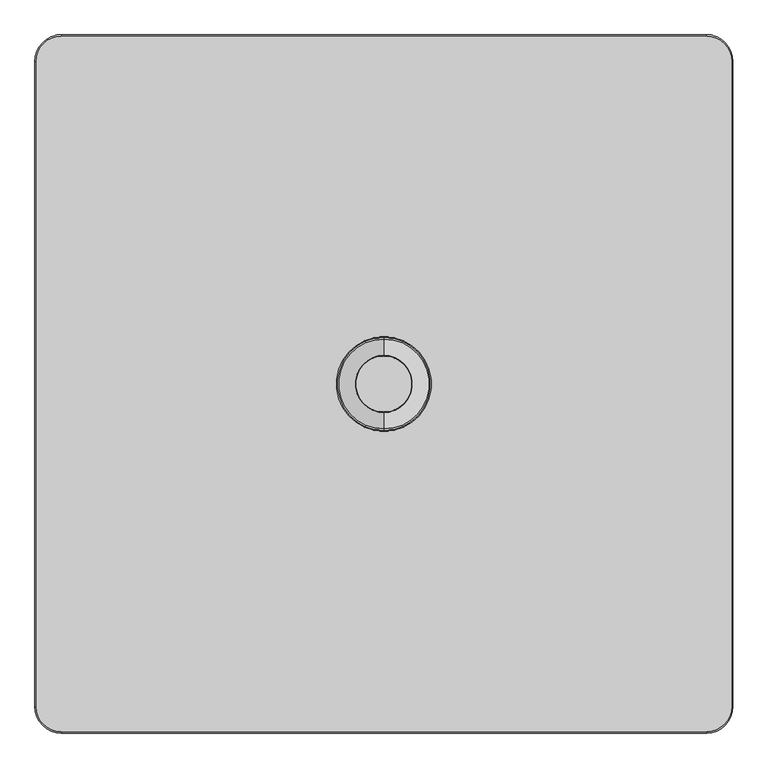
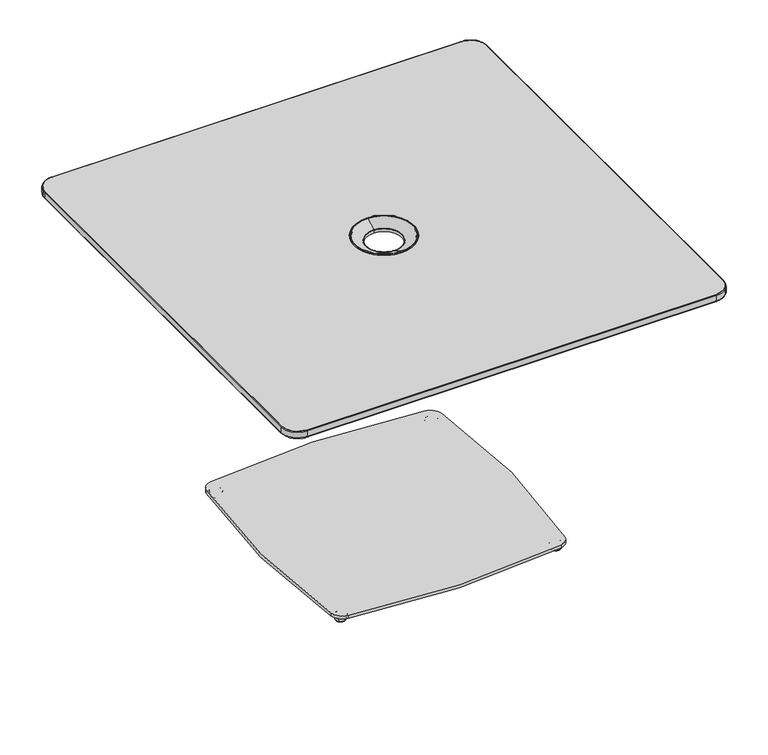
"""IFC4 building model written with IfcOpenShell, lengths in millimetres: furniture geometry."""

from ifc_helpers import new_model, si_unit, point, frame, frame_2d, origin, origin_2d, place, context, project, spatial, polyline, circle_curve, ellipse_curve, trimmed, segment, composite_curve, outline, extrude, source, transform, mapped, element, save
from ifc_brep_helpers import plane_surface, cylinder_surface, revolved_surface, spline_surface, advanced_brep


def furniture_2ca294fe(model_context):
    return source(origin(), model_context, "Body", "SolidModel", [
        advanced_brep(
        [(252.2843813, 244.9990703, 0.0), (266.9696661, 259.6843552, 0.0), (259.6270237, 252.3417127, 0.0), (251.7378791, 244.4525682, 0.5718943), (267.5161683, 260.2308573, 0.5718943), (249.43878, 242.1534691, 11.2068005), (269.8152674, 262.5299564, 11.2068005), (249.8538008, 242.5684899, 11.9999882), (269.4002466, 262.1149356, 11.9999882), (259.6270237, 252.3417127, 11.9999882)],
        [
            (0, 1, circle_curve(frame((259.6270237, 252.3417127, 0.0), z_axis=(0.0, 0.0, -1.0), x_axis=(0.7071067811865602, 0.7071067811865349, 0.0)), 10.3840645)),
            (1, 2),
            (2, 0),
            (1, 0, circle_curve(frame((259.6270237, 252.3417127, 0.0), z_axis=(0.0, 0.0, -1.0), x_axis=(0.7071067811865602, 0.7071067811865349, 0.0)), 10.3840645)),
            (3, 4, circle_curve(frame((259.6270237, 252.3417127, 0.5718943), z_axis=(0.0, 0.0, -1.0), x_axis=(0.7071067811865602, 0.7071067811865349, 0.0)), 11.1569353)),
            (4, 1, circle_curve(frame((266.9696661, 259.6843552, 0.8081846), z_axis=(-0.7071067811865349, 0.7071067811865602, 0.0), x_axis=(0.7071067811865602, 0.7071067811865349, 0.0)), 0.8081846)),
            (0, 3, circle_curve(frame((252.2843813, 244.9990703, 0.8081846), z_axis=(-0.7071067811865326, 0.7071067811865626, 0.0), x_axis=(-0.7071067811865626, -0.7071067811865326, 0.0)), 0.8081846)),
            (4, 3, circle_curve(frame((259.6270237, 252.3417127, 0.5718943), z_axis=(0.0, 0.0, -1.0), x_axis=(0.7071067811865602, 0.7071067811865349, 0.0)), 11.1569353)),
            (5, 6, circle_curve(frame((259.6270237, 252.3417127, 11.2068005), z_axis=(0.0, 0.0, -1.0), x_axis=(0.7071067811865602, 0.7071067811865349, 0.0)), 14.4083524)),
            (6, 4),
            (3, 5),
            (6, 5, circle_curve(frame((259.6270237, 252.3417127, 11.2068005), z_axis=(0.0, 0.0, -1.0), x_axis=(0.7071067811865602, 0.7071067811865349, 0.0)), 14.4083524)),
            (7, 8, circle_curve(frame((259.6270237, 252.3417127, 11.9999882), z_axis=(0.0, 0.0, -1.0), x_axis=(0.7071067811865602, 0.7071067811865349, 0.0)), 13.8214243)),
            (8, 6, circle_curve(frame((269.4002466, 262.1149356, 11.3862424), z_axis=(-0.7071067811865349, 0.7071067811865602, 0.0), x_axis=(0.7071067811865602, 0.7071067811865349, 0.0)), 0.6137458)),
            (5, 7, circle_curve(frame((249.8538008, 242.5684899, 11.3862424), z_axis=(-0.7071067811865326, 0.7071067811865626, 0.0), x_axis=(-0.7071067811865626, -0.7071067811865326, 0.0)), 0.6137458)),
            (8, 7, circle_curve(frame((259.6270237, 252.3417127, 11.9999882), z_axis=(0.0, 0.0, -1.0), x_axis=(0.7071067811865602, 0.7071067811865349, 0.0)), 13.8214243)),
            (9, 8),
            (7, 9),
        ],
        [
            plane_surface(frame((259.6270237, 252.3417127, 0.0), z_axis=(0.0, 0.0, -1.0000000000000002), x_axis=(0.7071067811865602, 0.7071067811865349, 0.0))),
            revolved_surface(trimmed(ellipse_curve(frame((266.9696661, 259.6843552, 0.8081846), z_axis=(0.7071067811865349, -0.7071067811865602, 0.0), x_axis=(0.7071067811865602, 0.7071067811865349, 0.0)), 0.8081846, 0.8081846), [point((266.9696661, 259.6843552, 0.0))], [point((267.5161683, 260.2308573, 0.5718943))], True, "CARTESIAN"), (259.6270237, 252.3417127, 12.2086845), (0.0, 0.0, 1.0)),
            revolved_surface(polyline([(267.5161683, 260.2308573, 0.5718943), (269.8152674, 262.5299564, 11.2068005)]), (259.6270237, 252.3417127, 12.2086845), (0.0, 0.0, 1.0)),
            revolved_surface(trimmed(ellipse_curve(frame((269.4002466, 262.1149356, 11.3862424), z_axis=(0.7071067811865349, -0.7071067811865602, 0.0), x_axis=(0.7071067811865602, 0.7071067811865349, 0.0)), 0.6137458, 0.6137458), [point((269.8152674, 262.5299564, 11.2068005))], [point((269.4002466, 262.1149356, 11.9999882))], True, "CARTESIAN"), (259.6270237, 252.3417127, 12.2086845), (0.0, 0.0, 1.0)),
            plane_surface(frame((259.6270237, 252.3417127, 11.9999882), z_axis=(0.0, 0.0, 1.0000000000000002), x_axis=(0.7071067811865602, 0.7071067811865349, 0.0))),
        ],
        [
            (0, [[1, 2, 3]]),
            (0, [[4, -3, -2]]),
            (1, [[5, 6, -1, 7]]),
            (1, [[8, -7, -4, -6]]),
            (2, [[9, 10, -5, 11]]),
            (2, [[12, -11, -8, -10]]),
            (3, [[13, 14, -9, 15]]),
            (3, [[16, -15, -12, -14]]),
            (4, [[17, -13, 18]]),
            (4, [[-18, -16, -17]]),
        ],
    ),
        advanced_brep(
        [(259.6270237, -268.2167127, 0.0), (266.9696661, -275.5593552, 0.0), (252.2843813, -260.8740703, 0.0), (267.5161683, -276.1058573, 0.5718943), (251.7378791, -260.3275682, 0.5718943), (269.8152674, -278.4049564, 11.2068005), (249.43878, -258.0284691, 11.2068005), (269.4002466, -277.9899356, 11.9999882), (249.8538008, -258.4434899, 11.9999882), (259.6270237, -268.2167127, 11.9999882)],
        [
            (0, 1),
            (1, 2, circle_curve(frame((259.6270237, -268.2167127, 0.0), z_axis=(0.0, 0.0, -1.0), x_axis=(0.7071067811865602, -0.7071067811865349, 0.0)), 10.3840645)),
            (2, 0),
            (2, 1, circle_curve(frame((259.6270237, -268.2167127, 0.0), z_axis=(0.0, 0.0, -1.0), x_axis=(0.7071067811865602, -0.7071067811865349, 0.0)), 10.3840645)),
            (1, 3, circle_curve(frame((266.9696661, -275.5593552, 0.8081846), z_axis=(-0.7071067811865349, -0.7071067811865602, 0.0), x_axis=(0.7071067811865602, -0.7071067811865349, 0.0)), 0.8081846)),
            (3, 4, circle_curve(frame((259.6270237, -268.2167127, 0.5718943), z_axis=(0.0, 0.0, -1.0), x_axis=(0.7071067811865602, -0.7071067811865349, 0.0)), 11.1569353)),
            (4, 2, circle_curve(frame((252.2843813, -260.8740703, 0.8081846), z_axis=(-0.7071067811865326, -0.7071067811865626, 0.0), x_axis=(-0.7071067811865626, 0.7071067811865326, 0.0)), 0.8081846)),
            (4, 3, circle_curve(frame((259.6270237, -268.2167127, 0.5718943), z_axis=(0.0, 0.0, -1.0), x_axis=(0.7071067811865602, -0.7071067811865349, 0.0)), 11.1569353)),
            (3, 5),
            (5, 6, circle_curve(frame((259.6270237, -268.2167127, 11.2068005), z_axis=(0.0, 0.0, -1.0), x_axis=(0.7071067811865602, -0.7071067811865349, 0.0)), 14.4083524)),
            (6, 4),
            (6, 5, circle_curve(frame((259.6270237, -268.2167127, 11.2068005), z_axis=(0.0, 0.0, -1.0), x_axis=(0.7071067811865602, -0.7071067811865349, 0.0)), 14.4083524)),
            (5, 7, circle_curve(frame((269.4002466, -277.9899356, 11.3862424), z_axis=(-0.7071067811865349, -0.7071067811865602, 0.0), x_axis=(0.7071067811865602, -0.7071067811865349, 0.0)), 0.6137458)),
            (7, 8, circle_curve(frame((259.6270237, -268.2167127, 11.9999882), z_axis=(0.0, 0.0, -1.0), x_axis=(0.7071067811865602, -0.7071067811865349, 0.0)), 13.8214243)),
            (8, 6, circle_curve(frame((249.8538008, -258.4434899, 11.3862424), z_axis=(-0.7071067811865326, -0.7071067811865626, 0.0), x_axis=(-0.7071067811865626, 0.7071067811865326, 0.0)), 0.6137458)),
            (8, 7, circle_curve(frame((259.6270237, -268.2167127, 11.9999882), z_axis=(0.0, 0.0, -1.0), x_axis=(0.7071067811865602, -0.7071067811865349, 0.0)), 13.8214243)),
            (7, 9),
            (9, 8),
        ],
        [
            plane_surface(frame((259.6270237, -268.2167127, 0.0), z_axis=(0.0, 0.0, -1.0000000000000002), x_axis=(0.7071067811865602, -0.7071067811865349, 0.0))),
            revolved_surface(trimmed(ellipse_curve(frame((266.9696661, -275.5593552, 0.8081846), z_axis=(0.7071067811865349, 0.7071067811865602, 0.0), x_axis=(0.7071067811865602, -0.7071067811865349, 0.0)), 0.8081846, 0.8081846), [point((267.5161683, -276.1058573, 0.5718943))], [point((266.9696661, -275.5593552, 0.0))], True, "CARTESIAN"), (259.6270237, -268.2167127, 12.2086845), (0.0, 0.0, -1.0)),
            revolved_surface(polyline([(269.8152674, -278.4049564, 11.2068005), (267.5161683, -276.1058573, 0.5718943)]), (259.6270237, -268.2167127, 12.2086845), (0.0, 0.0, -1.0)),
            revolved_surface(trimmed(ellipse_curve(frame((269.4002466, -277.9899356, 11.3862424), z_axis=(0.7071067811865349, 0.7071067811865602, 0.0), x_axis=(0.7071067811865602, -0.7071067811865349, 0.0)), 0.6137458, 0.6137458), [point((269.4002466, -277.9899356, 11.9999882))], [point((269.8152674, -278.4049564, 11.2068005))], True, "CARTESIAN"), (259.6270237, -268.2167127, 12.2086845), (0.0, 0.0, -1.0)),
            plane_surface(frame((259.6270237, -268.2167127, 11.9999882), z_axis=(0.0, 0.0, 1.0000000000000002), x_axis=(0.7071067811865602, -0.7071067811865349, 0.0))),
        ],
        [
            (0, [[1, 2, 3]]),
            (0, [[-3, 4, -1]]),
            (1, [[-2, 5, 6, 7]]),
            (1, [[-4, -7, 8, -5]]),
            (2, [[-6, 9, 10, 11]]),
            (2, [[-8, -11, 12, -9]]),
            (3, [[-10, 13, 14, 15]]),
            (3, [[-12, -15, 16, -13]]),
            (4, [[-14, 17, 18]]),
            (4, [[-16, -18, -17]]),
        ],
    ),
        extrude(outline(composite_curve([segment(trimmed(circle_curve(frame_2d((252.4620101, 244.7741595)), 31.75), [point((257.2212429, 276.1654354))], [point((283.8374336, 249.6368029))], False, "CARTESIAN"), True, "CONTINUOUS"), segment(trimmed(circle_curve(frame_2d((-1338.8141764, -1.8458925)), 1642.0236885), [point((283.8374336, 249.6368029))], [point((281.5966066, -267.3843791))], False, "CARTESIAN"), True, "CONTINUOUS"), segment(trimmed(circle_curve(frame_2d((256.5309305, -263.2768394)), 25.4), [point((281.5966066, -267.3843791))], [point((260.3854879, -288.3826631))], False, "CARTESIAN"), True, "CONTINUOUS"), segment(trimmed(circle_curve(frame_2d((1.8210899, 1395.720493)), 1703.8365498), [point((260.3854879, -288.3826631))], [point((-253.486505, -288.8794656))], False, "CARTESIAN"), True, "CONTINUOUS"), segment(trimmed(circle_curve(frame_2d((-248.7289969, -257.4879282)), 31.75), [point((-253.486505, -288.8794656))], [point((-280.1193859, -262.2530073))], False, "CARTESIAN"), True, "CONTINUOUS"), segment(trimmed(circle_curve(frame_2d((1447.4963883, 5.89e-05)), 1747.4074894), [point((-280.1193859, -262.2530073))], [point((-281.3896101, 253.7442979))], False, "CARTESIAN"), True, "CONTINUOUS"), segment(trimmed(circle_curve(frame_2d((-256.2588351, 250.0559175)), 25.4), [point((-281.3896101, 253.7442979))], [point((-260.1643924, 275.1538581))], False, "CARTESIAN"), True, "CONTINUOUS"), segment(trimmed(circle_curve(frame_2d((1.8210899, -1408.420493)), 1703.8365498), [point((-260.1643924, 275.1538581))], [point((257.2212429, 276.1654354))], False, "CARTESIAN"), True, "CONTINUOUS")], self_intersect=False)), frame((0.0, 0.0, 11.9999882), z_axis=(0.0, 0.0, 1.0), x_axis=(1.0, 0.0, 0.0)), (0.0, 0.0, 1.0), 8.0000083),
        advanced_brep(
        [(-259.6270237, 252.3417127, 0.0), (-266.9696661, 259.6843552, 0.0), (-252.2843813, 244.9990703, 0.0), (-267.5161683, 260.2308573, 0.5718943), (-251.7378791, 244.4525682, 0.5718943), (-269.8152674, 262.5299564, 11.2068005), (-249.43878, 242.1534691, 11.2068005), (-269.4002466, 262.1149356, 11.9999882), (-249.8538008, 242.5684899, 11.9999882), (-259.6270237, 252.3417127, 11.9999882)],
        [
            (0, 1),
            (1, 2, circle_curve(frame((-259.6270237, 252.3417127, 0.0), z_axis=(0.0, 0.0, -1.0), x_axis=(-0.7071067811865602, 0.7071067811865349, 0.0)), 10.3840645)),
            (2, 0),
            (2, 1, circle_curve(frame((-259.6270237, 252.3417127, 0.0), z_axis=(0.0, 0.0, -1.0), x_axis=(-0.7071067811865602, 0.7071067811865349, 0.0)), 10.3840645)),
            (1, 3, circle_curve(frame((-266.9696661, 259.6843552, 0.8081846), z_axis=(0.7071067811865349, 0.7071067811865602, 0.0), x_axis=(-0.7071067811865602, 0.7071067811865349, 0.0)), 0.8081846)),
            (3, 4, circle_curve(frame((-259.6270237, 252.3417127, 0.5718943), z_axis=(0.0, 0.0, -1.0), x_axis=(-0.7071067811865602, 0.7071067811865349, 0.0)), 11.1569353)),
            (4, 2, circle_curve(frame((-252.2843813, 244.9990703, 0.8081846), z_axis=(0.7071067811865326, 0.7071067811865626, 0.0), x_axis=(0.7071067811865626, -0.7071067811865326, 0.0)), 0.8081846)),
            (4, 3, circle_curve(frame((-259.6270237, 252.3417127, 0.5718943), z_axis=(0.0, 0.0, -1.0), x_axis=(-0.7071067811865602, 0.7071067811865349, 0.0)), 11.1569353)),
            (3, 5),
            (5, 6, circle_curve(frame((-259.6270237, 252.3417127, 11.2068005), z_axis=(0.0, 0.0, -1.0), x_axis=(-0.7071067811865602, 0.7071067811865349, 0.0)), 14.4083524)),
            (6, 4),
            (6, 5, circle_curve(frame((-259.6270237, 252.3417127, 11.2068005), z_axis=(0.0, 0.0, -1.0), x_axis=(-0.7071067811865602, 0.7071067811865349, 0.0)), 14.4083524)),
            (5, 7, circle_curve(frame((-269.4002466, 262.1149356, 11.3862424), z_axis=(0.7071067811865349, 0.7071067811865602, 0.0), x_axis=(-0.7071067811865602, 0.7071067811865349, 0.0)), 0.6137458)),
            (7, 8, circle_curve(frame((-259.6270237, 252.3417127, 11.9999882), z_axis=(0.0, 0.0, -1.0), x_axis=(-0.7071067811865602, 0.7071067811865349, 0.0)), 13.8214243)),
            (8, 6, circle_curve(frame((-249.8538008, 242.5684899, 11.3862424), z_axis=(0.7071067811865326, 0.7071067811865626, 0.0), x_axis=(0.7071067811865626, -0.7071067811865326, 0.0)), 0.6137458)),
            (8, 7, circle_curve(frame((-259.6270237, 252.3417127, 11.9999882), z_axis=(0.0, 0.0, -1.0), x_axis=(-0.7071067811865602, 0.7071067811865349, 0.0)), 13.8214243)),
            (7, 9),
            (9, 8),
        ],
        [
            plane_surface(frame((-259.6270237, 252.3417127, 0.0), z_axis=(0.0, 0.0, -1.0000000000000002), x_axis=(-0.7071067811865602, 0.7071067811865349, 0.0))),
            revolved_surface(trimmed(ellipse_curve(frame((-266.9696661, 259.6843552, 0.8081846), z_axis=(-0.7071067811865349, -0.7071067811865602, 0.0), x_axis=(-0.7071067811865602, 0.7071067811865349, 0.0)), 0.8081846, 0.8081846), [point((-267.5161683, 260.2308573, 0.5718943))], [point((-266.9696661, 259.6843552, 0.0))], True, "CARTESIAN"), (-259.6270237, 252.3417127, 12.2086845), (0.0, 0.0, -1.0)),
            revolved_surface(polyline([(-269.8152674, 262.5299564, 11.2068005), (-267.5161683, 260.2308573, 0.5718943)]), (-259.6270237, 252.3417127, 12.2086845), (0.0, 0.0, -1.0)),
            revolved_surface(trimmed(ellipse_curve(frame((-269.4002466, 262.1149356, 11.3862424), z_axis=(-0.7071067811865349, -0.7071067811865602, 0.0), x_axis=(-0.7071067811865602, 0.7071067811865349, 0.0)), 0.6137458, 0.6137458), [point((-269.4002466, 262.1149356, 11.9999882))], [point((-269.8152674, 262.5299564, 11.2068005))], True, "CARTESIAN"), (-259.6270237, 252.3417127, 12.2086845), (0.0, 0.0, -1.0)),
            plane_surface(frame((-259.6270237, 252.3417127, 11.9999882), z_axis=(0.0, 0.0, 1.0000000000000002), x_axis=(-0.7071067811865602, 0.7071067811865349, 0.0))),
        ],
        [
            (0, [[1, 2, 3]]),
            (0, [[-3, 4, -1]]),
            (1, [[-2, 5, 6, 7]]),
            (1, [[-4, -7, 8, -5]]),
            (2, [[-6, 9, 10, 11]]),
            (2, [[-8, -11, 12, -9]]),
            (3, [[-10, 13, 14, 15]]),
            (3, [[-12, -15, 16, -13]]),
            (4, [[-14, 17, 18]]),
            (4, [[-16, -18, -17]]),
        ],
    ),
        advanced_brep(
        [(-252.2843813, -260.8740703, 0.0), (-266.9696661, -275.5593552, 0.0), (-259.6270237, -268.2167127, 0.0), (-251.7378791, -260.3275682, 0.5718943), (-267.5161683, -276.1058573, 0.5718943), (-249.43878, -258.0284691, 11.2068005), (-269.8152674, -278.4049564, 11.2068005), (-249.8538008, -258.4434899, 11.9999882), (-269.4002466, -277.9899356, 11.9999882), (-259.6270237, -268.2167127, 11.9999882)],
        [
            (0, 1, circle_curve(frame((-259.6270237, -268.2167127, 0.0), z_axis=(0.0, 0.0, -1.0), x_axis=(-0.7071067811865602, -0.7071067811865349, 0.0)), 10.3840645)),
            (1, 2),
            (2, 0),
            (1, 0, circle_curve(frame((-259.6270237, -268.2167127, 0.0), z_axis=(0.0, 0.0, -1.0), x_axis=(-0.7071067811865602, -0.7071067811865349, 0.0)), 10.3840645)),
            (3, 4, circle_curve(frame((-259.6270237, -268.2167127, 0.5718943), z_axis=(0.0, 0.0, -1.0), x_axis=(-0.7071067811865602, -0.7071067811865349, 0.0)), 11.1569353)),
            (4, 1, circle_curve(frame((-266.9696661, -275.5593552, 0.8081846), z_axis=(0.7071067811865349, -0.7071067811865602, 0.0), x_axis=(-0.7071067811865602, -0.7071067811865349, 0.0)), 0.8081846)),
            (0, 3, circle_curve(frame((-252.2843813, -260.8740703, 0.8081846), z_axis=(0.7071067811865326, -0.7071067811865626, 0.0), x_axis=(0.7071067811865626, 0.7071067811865326, 0.0)), 0.8081846)),
            (4, 3, circle_curve(frame((-259.6270237, -268.2167127, 0.5718943), z_axis=(0.0, 0.0, -1.0), x_axis=(-0.7071067811865602, -0.7071067811865349, 0.0)), 11.1569353)),
            (5, 6, circle_curve(frame((-259.6270237, -268.2167127, 11.2068005), z_axis=(0.0, 0.0, -1.0), x_axis=(-0.7071067811865602, -0.7071067811865349, 0.0)), 14.4083524)),
            (6, 4),
            (3, 5),
            (6, 5, circle_curve(frame((-259.6270237, -268.2167127, 11.2068005), z_axis=(0.0, 0.0, -1.0), x_axis=(-0.7071067811865602, -0.7071067811865349, 0.0)), 14.4083524)),
            (7, 8, circle_curve(frame((-259.6270237, -268.2167127, 11.9999882), z_axis=(0.0, 0.0, -1.0), x_axis=(-0.7071067811865602, -0.7071067811865349, 0.0)), 13.8214243)),
            (8, 6, circle_curve(frame((-269.4002466, -277.9899356, 11.3862424), z_axis=(0.7071067811865349, -0.7071067811865602, 0.0), x_axis=(-0.7071067811865602, -0.7071067811865349, 0.0)), 0.6137458)),
            (5, 7, circle_curve(frame((-249.8538008, -258.4434899, 11.3862424), z_axis=(0.7071067811865326, -0.7071067811865626, 0.0), x_axis=(0.7071067811865626, 0.7071067811865326, 0.0)), 0.6137458)),
            (8, 7, circle_curve(frame((-259.6270237, -268.2167127, 11.9999882), z_axis=(0.0, 0.0, -1.0), x_axis=(-0.7071067811865602, -0.7071067811865349, 0.0)), 13.8214243)),
            (9, 8),
            (7, 9),
        ],
        [
            plane_surface(frame((-259.6270237, -268.2167127, 0.0), z_axis=(0.0, 0.0, -1.0000000000000002), x_axis=(-0.7071067811865602, -0.7071067811865349, 0.0))),
            revolved_surface(trimmed(ellipse_curve(frame((-266.9696661, -275.5593552, 0.8081846), z_axis=(-0.7071067811865349, 0.7071067811865602, 0.0), x_axis=(-0.7071067811865602, -0.7071067811865349, 0.0)), 0.8081846, 0.8081846), [point((-266.9696661, -275.5593552, 0.0))], [point((-267.5161683, -276.1058573, 0.5718943))], True, "CARTESIAN"), (-259.6270237, -268.2167127, 12.2086845), (0.0, 0.0, 1.0)),
            revolved_surface(polyline([(-267.5161683, -276.1058573, 0.5718943), (-269.8152674, -278.4049564, 11.2068005)]), (-259.6270237, -268.2167127, 12.2086845), (0.0, 0.0, 1.0)),
            revolved_surface(trimmed(ellipse_curve(frame((-269.4002466, -277.9899356, 11.3862424), z_axis=(-0.7071067811865349, 0.7071067811865602, 0.0), x_axis=(-0.7071067811865602, -0.7071067811865349, 0.0)), 0.6137458, 0.6137458), [point((-269.8152674, -278.4049564, 11.2068005))], [point((-269.4002466, -277.9899356, 11.9999882))], True, "CARTESIAN"), (-259.6270237, -268.2167127, 12.2086845), (0.0, 0.0, 1.0)),
            plane_surface(frame((-259.6270237, -268.2167127, 11.9999882), z_axis=(0.0, 0.0, 1.0000000000000002), x_axis=(-0.7071067811865602, -0.7071067811865349, 0.0))),
        ],
        [
            (0, [[1, 2, 3]]),
            (0, [[4, -3, -2]]),
            (1, [[5, 6, -1, 7]]),
            (1, [[8, -7, -4, -6]]),
            (2, [[9, 10, -5, 11]]),
            (2, [[12, -11, -8, -10]]),
            (3, [[13, 14, -9, 15]]),
            (3, [[16, -15, -12, -14]]),
            (4, [[17, -13, 18]]),
            (4, [[-18, -16, -17]]),
        ],
    ),
        advanced_brep(
        [(-259.4526224, 252.1653521, 0.0), (-266.7952648, 259.5079945, 0.0), (-252.1099799, 244.8227097, 0.0), (-267.3417669, 260.0544967, 0.5718943), (-251.5634778, 244.2762075, 0.5718943), (-269.640866, 262.3535958, 11.2068005), (-249.2643787, 241.9771084, 11.2068005), (-269.2258452, 261.938575, 11.9999882), (-249.6793995, 242.3921292, 11.9999882), (-259.4526224, 252.1653521, 11.9999882)],
        [
            (0, 1),
            (1, 2, circle_curve(frame((-259.4526224, 252.1653521, 0.0), z_axis=(0.0, 0.0, -1.0), x_axis=(-0.7071067811865602, 0.7071067811865349, 0.0)), 10.3840645)),
            (2, 0),
            (2, 1, circle_curve(frame((-259.4526224, 252.1653521, 0.0), z_axis=(0.0, 0.0, -1.0), x_axis=(-0.7071067811865602, 0.7071067811865349, 0.0)), 10.3840645)),
            (1, 3, circle_curve(frame((-266.7952648, 259.5079945, 0.8081846), z_axis=(0.7071067811865349, 0.7071067811865602, 0.0), x_axis=(-0.7071067811865602, 0.7071067811865349, 0.0)), 0.8081846)),
            (3, 4, circle_curve(frame((-259.4526224, 252.1653521, 0.5718943), z_axis=(0.0, 0.0, -1.0), x_axis=(-0.7071067811865602, 0.7071067811865349, 0.0)), 11.1569353)),
            (4, 2, circle_curve(frame((-252.1099799, 244.8227097, 0.8081846), z_axis=(0.7071067811865326, 0.7071067811865626, 0.0), x_axis=(0.7071067811865626, -0.7071067811865326, 0.0)), 0.8081846)),
            (4, 3, circle_curve(frame((-259.4526224, 252.1653521, 0.5718943), z_axis=(0.0, 0.0, -1.0), x_axis=(-0.7071067811865602, 0.7071067811865349, 0.0)), 11.1569353)),
            (3, 5),
            (5, 6, circle_curve(frame((-259.4526224, 252.1653521, 11.2068005), z_axis=(0.0, 0.0, -1.0), x_axis=(-0.7071067811865602, 0.7071067811865349, 0.0)), 14.4083524)),
            (6, 4),
            (6, 5, circle_curve(frame((-259.4526224, 252.1653521, 11.2068005), z_axis=(0.0, 0.0, -1.0), x_axis=(-0.7071067811865602, 0.7071067811865349, 0.0)), 14.4083524)),
            (5, 7, circle_curve(frame((-269.2258452, 261.938575, 11.3862424), z_axis=(0.7071067811865349, 0.7071067811865602, 0.0), x_axis=(-0.7071067811865602, 0.7071067811865349, 0.0)), 0.6137458)),
            (7, 8, circle_curve(frame((-259.4526224, 252.1653521, 11.9999882), z_axis=(0.0, 0.0, -1.0), x_axis=(-0.7071067811865602, 0.7071067811865349, 0.0)), 13.8214243)),
            (8, 6, circle_curve(frame((-249.6793995, 242.3921292, 11.3862424), z_axis=(0.7071067811865326, 0.7071067811865626, 0.0), x_axis=(0.7071067811865626, -0.7071067811865326, 0.0)), 0.6137458)),
            (8, 7, circle_curve(frame((-259.4526224, 252.1653521, 11.9999882), z_axis=(0.0, 0.0, -1.0), x_axis=(-0.7071067811865602, 0.7071067811865349, 0.0)), 13.8214243)),
            (7, 9),
            (9, 8),
        ],
        [
            plane_surface(frame((-259.4526224, 252.1653521, 0.0), z_axis=(0.0, 0.0, -1.0000000000000002), x_axis=(-0.7071067811865602, 0.7071067811865349, 0.0))),
            revolved_surface(trimmed(ellipse_curve(frame((-266.7952648, 259.5079945, 0.8081846), z_axis=(-0.7071067811865349, -0.7071067811865602, 0.0), x_axis=(-0.7071067811865602, 0.7071067811865349, 0.0)), 0.8081846, 0.8081846), [point((-267.3417669, 260.0544967, 0.5718943))], [point((-266.7952648, 259.5079945, 0.0))], True, "CARTESIAN"), (-259.4526224, 252.1653521, 12.2086845), (0.0, 0.0, -1.0)),
            revolved_surface(polyline([(-269.640866, 262.3535958, 11.2068005), (-267.3417669, 260.0544967, 0.5718943)]), (-259.4526224, 252.1653521, 12.2086845), (0.0, 0.0, -1.0)),
            revolved_surface(trimmed(ellipse_curve(frame((-269.2258452, 261.938575, 11.3862424), z_axis=(-0.7071067811865349, -0.7071067811865602, 0.0), x_axis=(-0.7071067811865602, 0.7071067811865349, 0.0)), 0.6137458, 0.6137458), [point((-269.2258452, 261.938575, 11.9999882))], [point((-269.640866, 262.3535958, 11.2068005))], True, "CARTESIAN"), (-259.4526224, 252.1653521, 12.2086845), (0.0, 0.0, -1.0)),
            plane_surface(frame((-259.4526224, 252.1653521, 11.9999882), z_axis=(0.0, 0.0, 1.0000000000000002), x_axis=(-0.7071067811865602, 0.7071067811865349, 0.0))),
        ],
        [
            (0, [[1, 2, 3]]),
            (0, [[-3, 4, -1]]),
            (1, [[-2, 5, 6, 7]]),
            (1, [[-4, -7, 8, -5]]),
            (2, [[-6, 9, 10, 11]]),
            (2, [[-8, -11, 12, -9]]),
            (3, [[-10, 13, 14, 15]]),
            (3, [[-12, -15, 16, -13]]),
            (4, [[-14, 17, 18]]),
            (4, [[-16, -18, -17]]),
        ],
    ),
        advanced_brep(
        [(468.4626362, 468.4635082, 693.930027), (468.4626362, -468.4635082, 693.930027), (-468.4626362, -468.4635082, 693.930027), (-468.4626362, 468.4635082, 693.930027), (-67.31, 0.0, 693.930027), (67.31, 0.0, 693.930027), (493.188625, 531.368, 706.195891), (-493.188625, 531.368, 706.195891), (-531.288625, 493.268, 706.195891), (-531.288625, -493.268, 706.195891), (-493.188625, -531.368, 706.195891), (493.188625, -531.368, 706.195891), (531.288625, -493.268, 706.195891), (531.288625, 493.268, 706.195891), (67.31, 0.0, 706.195891), (-67.31, 0.0, 706.195891)],
        [
            (0, 1),
            (1, 2),
            (2, 3),
            (3, 0),
            (4, 5, circle_curve(frame((0.0, 0.0, 693.930027), z_axis=(0.0, 0.0, 1.0), x_axis=(1.0, 0.0, 0.0)), 67.31)),
            (5, 4, circle_curve(frame((0.0, 0.0, 693.930027), z_axis=(0.0, 0.0, 1.0), x_axis=(1.0, 0.0, 0.0)), 67.31)),
            (6, 7),
            (7, 8, circle_curve(frame((-493.188625, 493.268, 706.195891), z_axis=(0.0, 0.0, 1.0), x_axis=(1.0, 0.0, 0.0)), 38.1)),
            (8, 9),
            (9, 10, circle_curve(frame((-493.188625, -493.268, 706.195891), z_axis=(0.0, 0.0, 1.0), x_axis=(1.0, 0.0, 0.0)), 38.1)),
            (10, 11),
            (11, 12, circle_curve(frame((493.188625, -493.268, 706.195891), z_axis=(0.0, 0.0, 1.0), x_axis=(1.0, 0.0, 0.0)), 38.1)),
            (12, 13),
            (13, 6, circle_curve(frame((493.188625, 493.268, 706.195891), z_axis=(0.0, 0.0, 1.0), x_axis=(1.0, 0.0, 0.0)), 38.1)),
            (14, 15, circle_curve(frame((0.0, 0.0, 706.195891), z_axis=(0.0, 0.0, -1.0), x_axis=(1.0, 0.0, 0.0)), 67.31)),
            (15, 14, circle_curve(frame((0.0, 0.0, 706.195891), z_axis=(0.0, 0.0, -1.0), x_axis=(1.0, 0.0, 0.0)), 67.31)),
            (13, 0),
            (0, 6),
            (12, 1),
            (11, 1),
            (10, 2),
            (9, 2),
            (8, 3),
            (7, 3),
            (4, 15),
            (14, 5),
        ],
        [
            plane_surface(frame((0.0, 0.0, 693.930027), z_axis=(0.0, 0.0, -1.0), x_axis=(-1.0, 0.0, 0.0))),
            plane_surface(frame((0.0, 0.0, 706.195891), z_axis=(0.0, 0.0, 1.0), x_axis=(-1.0, 0.0, 0.0))),
            spline_surface(2, 1, [[(493.188625, 531.368, 706.195891), (468.4626362, 468.4635082, 693.930027)], [(531.2886250000001, 531.3680000000002, 706.195891), (468.4626362, 468.4635082, 693.930027)], [(531.288625, 493.268, 706.195891), (468.4626362, 468.4635082, 693.930027)]], [3, 3], [2, 2], [0.0, 1.0], [0.0, 1.0], weights=[[1.0, 1.0], [0.707106781186547, 0.707106781186547], [1.0, 1.0]]),
            plane_surface(frame((531.288625, 0.0, 706.195891), z_axis=(0.19161772505172311, 0.0, -0.9814696365379839), x_axis=(0.0, -1.0, 0.0))),
            spline_surface(2, 1, [[(531.288625, -493.268, 706.195891), (468.4626362, -468.4635082, 693.930027)], [(531.2886249999999, -531.3679999999999, 706.195891), (468.4626362, -468.4635082, 693.930027)], [(493.188625, -531.368, 706.195891), (468.4626362, -468.4635082, 693.930027)]], [3, 3], [2, 2], [0.0, 1.0], [0.0, 1.0], weights=[[1.0, 1.0], [0.7071067811865481, 0.7071067811865481], [1.0, 1.0]]),
            plane_surface(frame((0.0, -531.368, 706.195891), z_axis=(0.0, -0.19138735626662973, -0.9815145846401214), x_axis=(-1.0, 0.0, 0.0))),
            spline_surface(2, 1, [[(-493.188625, -531.368, 706.195891), (-468.4626362, -468.4635082, 693.930027)], [(-531.2886250000001, -531.3680000000002, 706.195891), (-468.4626362, -468.4635082, 693.930027)], [(-531.288625, -493.268, 706.195891), (-468.4626362, -468.4635082, 693.930027)]], [3, 3], [2, 2], [0.0, 1.0], [0.0, 1.0], weights=[[1.0, 1.0], [0.707106781186547, 0.707106781186547], [1.0, 1.0]]),
            plane_surface(frame((-531.288625, 0.0, 706.195891), z_axis=(-0.1916177250517239, 0.0, -0.9814696365379838), x_axis=(0.0, 1.0, 0.0))),
            spline_surface(2, 1, [[(-531.288625, 493.268, 706.195891), (-468.4626362, 468.4635082, 693.930027)], [(-531.2886249999999, 531.3679999999999, 706.195891), (-468.4626362, 468.4635082, 693.930027)], [(-493.188625, 531.368, 706.195891), (-468.4626362, 468.4635082, 693.930027)]], [3, 3], [2, 2], [0.0, 1.0], [0.0, 1.0], weights=[[1.0, 1.0], [0.7071067811865481, 0.7071067811865481], [1.0, 1.0]]),
            plane_surface(frame((0.0, 531.368, 706.195891), z_axis=(0.0, 0.19138735626662973, -0.9815145846401214), x_axis=(1.0, 0.0, 0.0))),
            revolved_surface(polyline([(67.31, 0.0, 706.195891), (67.31, 0.0, 693.930027)]), (0.0, 0.0, 692.15), (0.0, 0.0, 1.0)),
        ],
        [
            (0, [[1, 2, 3, 4], [5, 6]]),
            (1, [[7, 8, 9, 10, 11, 12, 13, 14], [15, 16]]),
            (2, [[-14, 17, 18]]),
            (3, [[-1, -17, -13, 19]]),
            (4, [[-12, 20, -19]]),
            (5, [[-2, -20, -11, 21]]),
            (6, [[-10, 22, -21]]),
            (7, [[-3, -22, -9, 23]]),
            (8, [[-8, 24, -23]]),
            (9, [[-4, -24, -7, -18]]),
            (10, [[25, -15, 26, -5]]),
            (10, [[-25, -6, -26, -16]]),
        ],
    ),
        extrude(outline(composite_curve([segment(trimmed(circle_curve(frame_2d((493.188625, 493.268)), 38.1), [point((493.188625, 531.368))], [point((531.288625, 493.268))], False, "CARTESIAN"), True, "CONTINUOUS"), segment(polyline([(531.288625, 493.268), (531.288625, -493.268)]), True, "CONTINUOUS"), segment(trimmed(circle_curve(frame_2d((493.188625, -493.268)), 38.1), [point((531.288625, -493.268))], [point((493.188625, -531.368))], False, "CARTESIAN"), True, "CONTINUOUS"), segment(polyline([(493.188625, -531.368), (-493.188625, -531.368)]), True, "CONTINUOUS"), segment(trimmed(circle_curve(frame_2d((-493.188625, -493.268)), 38.1), [point((-493.188625, -531.368))], [point((-531.288625, -493.268))], False, "CARTESIAN"), True, "CONTINUOUS"), segment(polyline([(-531.288625, -493.268), (-531.288625, 493.268)]), True, "CONTINUOUS"), segment(trimmed(circle_curve(frame_2d((-493.188625, 493.268)), 38.1), [point((-531.288625, 493.268))], [point((-493.188625, 531.368))], False, "CARTESIAN"), True, "CONTINUOUS"), segment(polyline([(-493.188625, 531.368), (493.188625, 531.368)]), True, "CONTINUOUS")], self_intersect=False), holes=[composite_curve([segment(trimmed(circle_curve(origin_2d(), 67.31), [point((-67.31, 0.0))], [point((67.31, 0.0))], True, "CARTESIAN"), True, "CONTINUOUS"), segment(trimmed(circle_curve(origin_2d(), 67.31), [point((67.31, 0.0))], [point((-67.31, 0.0))], True, "CARTESIAN"), True, "CONTINUOUS")], self_intersect=False)]), frame((0.0, 0.0, 706.195891), z_axis=(0.0, 0.0, 1.0), x_axis=(1.0, 0.0, 0.0)), (0.0, 0.0, 1.0), 17.704109),
        advanced_brep(
        [(0.0, -43.7189239, 713.1627321), (0.0, 43.7189239, 713.1627321), (0.0, 68.6796129, 725.8808384), (0.0, -68.6796129, 725.8808384), (0.0, -43.0829467, 712.1249118), (0.0, 43.0829467, 712.1249118), (0.0, -43.0829467, 704.6748653), (0.0, 43.0829467, 704.6748653), (0.0, -44.6027274, 704.6748653), (0.0, 44.6027274, 704.6748653), (0.0, -44.6027274, 711.7949364), (0.0, 44.6027274, 711.7949364), (0.0, -45.5862864, 713.3722897), (0.0, 45.5862864, 713.3722897), (0.0, -67.0676846, 723.9), (0.0, 67.0676846, 723.9), (0.0, -72.478194, 723.9), (0.0, 72.478194, 723.9), (0.0, -72.478194, 724.7218121), (0.0, 72.478194, 724.7218121), (0.0, -71.3191677, 725.8808384), (0.0, 71.3191677, 725.8808384)],
        [
            (0, 1, circle_curve(frame((0.0, 0.0, 713.1627321), z_axis=(0.0, 0.0, -1.0), x_axis=(0.0, 1.0, 0.0)), 43.7189239)),
            (1, 2),
            (2, 3, circle_curve(frame((0.0, 0.0, 725.8808384), z_axis=(0.0, 0.0, 1.0), x_axis=(0.0, 1.0, 0.0)), 68.6796129)),
            (3, 0),
            (1, 0, circle_curve(frame((0.0, 0.0, 713.1627321), z_axis=(0.0, 0.0, -1.0), x_axis=(0.0, 1.0, 0.0)), 43.7189239)),
            (3, 2, circle_curve(frame((0.0, 0.0, 725.8808384), z_axis=(0.0, 0.0, 1.0), x_axis=(0.0, 1.0, 0.0)), 68.6796129)),
            (4, 5, circle_curve(frame((0.0, 0.0, 712.1249118), z_axis=(0.0, 0.0, -1.0), x_axis=(0.0, 1.0, 0.0)), 43.0829467)),
            (5, 1, circle_curve(frame((0.0, 44.2477197, 712.1249118), z_axis=(-1.0, 0.0, 0.0), x_axis=(0.0, 1.0, 0.0)), 1.164773)),
            (0, 4, circle_curve(frame((0.0, -44.2477197, 712.1249118), z_axis=(-1.0, 0.0, 0.0), x_axis=(0.0, -1.0, 0.0)), 1.164773)),
            (5, 4, circle_curve(frame((0.0, 0.0, 712.1249118), z_axis=(0.0, 0.0, -1.0), x_axis=(0.0, 1.0, 0.0)), 43.0829467)),
            (6, 7, circle_curve(frame((0.0, 0.0, 704.6748653), z_axis=(0.0, 0.0, -1.0), x_axis=(0.0, 1.0, 0.0)), 43.0829467)),
            (7, 5),
            (4, 6),
            (7, 6, circle_curve(frame((0.0, 0.0, 704.6748653), z_axis=(0.0, 0.0, -1.0), x_axis=(0.0, 1.0, 0.0)), 43.0829467)),
            (8, 9, circle_curve(frame((0.0, 0.0, 704.6748653), z_axis=(0.0, 0.0, -1.0), x_axis=(0.0, 1.0, 0.0)), 44.6027274)),
            (9, 7),
            (6, 8),
            (9, 8, circle_curve(frame((0.0, 0.0, 704.6748653), z_axis=(0.0, 0.0, -1.0), x_axis=(0.0, 1.0, 0.0)), 44.6027274)),
            (10, 11, circle_curve(frame((0.0, 0.0, 711.7949364), z_axis=(0.0, 0.0, -1.0), x_axis=(0.0, 1.0, 0.0)), 44.6027274)),
            (11, 9),
            (8, 10),
            (11, 10, circle_curve(frame((0.0, 0.0, 711.7949364), z_axis=(0.0, 0.0, -1.0), x_axis=(0.0, 1.0, 0.0)), 44.6027274)),
            (12, 13, circle_curve(frame((0.0, 0.0, 713.3722897), z_axis=(0.0, 0.0, -1.0), x_axis=(0.0, 1.0, 0.0)), 45.5862864)),
            (13, 11, circle_curve(frame((0.0, 46.3593235, 711.7949364), z_axis=(1.0, 0.0, 0.0), x_axis=(0.0, 1.0, 0.0)), 1.7565961)),
            (10, 12, circle_curve(frame((0.0, -46.3593235, 711.7949364), z_axis=(1.0, 0.0, 0.0), x_axis=(0.0, -1.0, 0.0)), 1.7565961)),
            (13, 12, circle_curve(frame((0.0, 0.0, 713.3722897), z_axis=(0.0, 0.0, -1.0), x_axis=(0.0, 1.0, 0.0)), 45.5862864)),
            (14, 15, circle_curve(frame((0.0, 0.0, 723.9), z_axis=(0.0, 0.0, -1.0), x_axis=(0.0, 1.0, 0.0)), 67.0676846)),
            (15, 13),
            (12, 14),
            (15, 14, circle_curve(frame((0.0, 0.0, 723.9), z_axis=(0.0, 0.0, -1.0), x_axis=(0.0, 1.0, 0.0)), 67.0676846)),
            (16, 17, circle_curve(frame((0.0, 0.0, 723.9), z_axis=(0.0, 0.0, -1.0), x_axis=(0.0, 1.0, 0.0)), 72.478194)),
            (17, 15),
            (14, 16),
            (17, 16, circle_curve(frame((0.0, 0.0, 723.9), z_axis=(0.0, 0.0, -1.0), x_axis=(0.0, 1.0, 0.0)), 72.478194)),
            (18, 19, circle_curve(frame((0.0, 0.0, 724.7218121), z_axis=(0.0, 0.0, -1.0), x_axis=(0.0, 1.0, 0.0)), 72.478194)),
            (19, 17),
            (16, 18),
            (19, 18, circle_curve(frame((0.0, 0.0, 724.7218121), z_axis=(0.0, 0.0, -1.0), x_axis=(0.0, 1.0, 0.0)), 72.478194)),
            (20, 21, circle_curve(frame((0.0, 0.0, 725.8808384), z_axis=(0.0, 0.0, -1.0), x_axis=(0.0, 1.0, 0.0)), 71.3191677)),
            (21, 19, circle_curve(frame((0.0, 71.3191677, 724.7218121), z_axis=(-1.0, 0.0, 0.0), x_axis=(0.0, 1.0, 0.0)), 1.1590263)),
            (18, 20, circle_curve(frame((0.0, -71.3191677, 724.7218121), z_axis=(-1.0, 0.0, 0.0), x_axis=(0.0, -1.0, 0.0)), 1.1590263)),
            (21, 20, circle_curve(frame((0.0, 0.0, 725.8808384), z_axis=(0.0, 0.0, -1.0), x_axis=(0.0, 1.0, 0.0)), 71.3191677)),
            (2, 21),
            (20, 3),
        ],
        [
            revolved_surface(polyline([(0.0, 68.6796129, 725.8808384), (0.0, 43.7189239, 713.1627321)]), (0.0, 0.0, 735.3322725), (0.0, 0.0, 1.0)),
            revolved_surface(trimmed(ellipse_curve(frame((0.0, 44.2477197, 712.1249118), z_axis=(1.0, 0.0, 0.0), x_axis=(0.0, 1.0, 0.0)), 1.164773, 1.164773), [point((0.0, 43.7189239, 713.1627321))], [point((0.0, 43.0829467, 712.1249118))], True, "CARTESIAN"), (0.0, 0.0, 735.3322725), (0.0, 0.0, 1.0)),
            revolved_surface(polyline([(0.0, 43.0829467, 712.1249118), (0.0, 43.0829467, 704.6748653)]), (0.0, 0.0, 735.3322725), (0.0, 0.0, 1.0)),
            plane_surface(frame((0.0, 0.0, 704.6748653), z_axis=(0.0, 0.0, -1.0), x_axis=(0.0, 1.0, 0.0))),
            cylinder_surface(frame((0.0, 0.0, 735.3322725), z_axis=(0.0, 0.0, 1.0), x_axis=(0.0, 1.0, 0.0)), 44.6027274),
            revolved_surface(trimmed(ellipse_curve(frame((0.0, 46.3593235, 711.7949364), z_axis=(-1.0, 0.0, 0.0), x_axis=(0.0, 1.0, 0.0)), 1.7565961, 1.7565961), [point((0.0, 44.6027274, 711.7949364))], [point((0.0, 45.5862864, 713.3722897))], True, "CARTESIAN"), (0.0, 0.0, 735.3322725), (0.0, 0.0, 1.0)),
            revolved_surface(polyline([(0.0, 45.5862864, 713.3722897), (0.0, 67.0676846, 723.9)]), (0.0, 0.0, 735.3322725), (0.0, 0.0, 1.0)),
            plane_surface(frame((0.0, 0.0, 723.9), z_axis=(0.0, 0.0, -1.0), x_axis=(0.0, 1.0, 0.0))),
            cylinder_surface(frame((0.0, 0.0, 735.3322725), z_axis=(0.0, 0.0, 1.0), x_axis=(0.0, 1.0, 0.0)), 72.478194),
            revolved_surface(trimmed(ellipse_curve(frame((0.0, 71.3191677, 724.7218121), z_axis=(1.0, 0.0, 0.0), x_axis=(0.0, 1.0, 0.0)), 1.1590263, 1.1590263), [point((0.0, 72.478194, 724.7218121))], [point((0.0, 71.3191677, 725.8808384))], True, "CARTESIAN"), (0.0, 0.0, 735.3322725), (0.0, 0.0, 1.0)),
            plane_surface(frame((0.0, 0.0, 725.8808384), z_axis=(0.0, 0.0, 1.0), x_axis=(0.0, 1.0, 0.0))),
        ],
        [
            (0, [[1, 2, 3, 4]]),
            (0, [[5, -4, 6, -2]]),
            (1, [[7, 8, -1, 9]]),
            (1, [[10, -9, -5, -8]]),
            (2, [[11, 12, -7, 13]]),
            (2, [[14, -13, -10, -12]]),
            (3, [[15, 16, -11, 17]]),
            (3, [[18, -17, -14, -16]]),
            (4, [[19, 20, -15, 21]]),
            (4, [[22, -21, -18, -20]]),
            (5, [[23, 24, -19, 25]]),
            (5, [[26, -25, -22, -24]]),
            (6, [[27, 28, -23, 29]]),
            (6, [[30, -29, -26, -28]]),
            (7, [[31, 32, -27, 33]]),
            (7, [[34, -33, -30, -32]]),
            (8, [[35, 36, -31, 37]]),
            (8, [[38, -37, -34, -36]]),
            (9, [[39, 40, -35, 41]]),
            (9, [[42, -41, -38, -40]]),
            (10, [[-3, 43, -39, 44]]),
            (10, [[-6, -44, -42, -43]]),
        ],
    ),
        advanced_brep(
        [(-533.3644915, 493.268, 708.1278467), (-493.188625, 533.4438665, 708.1278467), (-493.188625, 531.368, 706.195891), (-531.288625, 493.268, 706.195891), (-533.3644915, 493.268, 721.8999283), (-493.188625, 533.4438665, 721.8999283), (-531.288625, 493.268, 723.9), (-493.188625, 531.368, 723.9), (-531.288625, -493.268, 706.195891), (-533.3644915, -493.268, 708.1278467), (-533.3644915, -493.268, 721.8999283), (-531.288625, -493.268, 723.9), (-493.188625, -533.4438665, 708.1278467), (-493.188625, -531.368, 706.195891), (-493.188625, -533.4438665, 721.8999283), (-493.188625, -531.368, 723.9), (493.188625, -531.368, 706.195891), (493.188625, -533.4438665, 708.1278467), (493.188625, -533.4438665, 721.8999283), (493.188625, -531.368, 723.9), (533.3644915, -493.268, 708.1278467), (531.288625, -493.268, 706.195891), (533.3644915, -493.268, 721.8999283), (531.288625, -493.268, 723.9), (531.288625, 493.268, 706.195891), (533.3644915, 493.268, 708.1278467), (533.3644915, 493.268, 721.8999283), (531.288625, 493.268, 723.9), (493.188625, 533.4438665, 708.1278467), (493.188625, 531.368, 706.195891), (493.188625, 533.4438665, 721.8999283), (493.188625, 531.368, 723.9)],
        [
            (0, 1, circle_curve(frame((-493.188625, 493.268, 708.1278467), z_axis=(0.0, 0.0, -1.0), x_axis=(0.0, 1.0, 0.0)), 40.1758665)),
            (1, 2, circle_curve(frame((-493.188625, 531.5069224, 708.1278467), z_axis=(-1.0, 0.0, 0.0), x_axis=(0.0, -1.0, 0.0)), 1.9369441)),
            (2, 3, circle_curve(frame((-493.188625, 493.268, 706.195891), z_axis=(0.0, 0.0, 1.0), x_axis=(0.0, 1.0, 0.0)), 38.1)),
            (3, 0, circle_curve(frame((-531.4275474, 493.268, 708.1278467), z_axis=(0.0, 1.0, 0.0), x_axis=(1.0, 0.0, 0.0)), 1.9369441)),
            (4, 5, circle_curve(frame((-493.188625, 493.268, 721.8999283), z_axis=(0.0, 0.0, -1.0), x_axis=(0.0, 1.0, 0.0)), 40.1758665)),
            (5, 1),
            (0, 4),
            (6, 7, circle_curve(frame((-493.188625, 493.268, 723.9), z_axis=(0.0, 0.0, -1.0), x_axis=(0.0, 1.0, 0.0)), 38.1)),
            (7, 5, circle_curve(frame((-493.188625, 531.4424111, 721.8999283), z_axis=(-1.0, 0.0, 0.0), x_axis=(0.0, -1.0, 0.0)), 2.0014554)),
            (4, 6, circle_curve(frame((-531.3630361, 493.268, 721.8999283), z_axis=(0.0, 1.0, 0.0), x_axis=(1.0, 0.0, 0.0)), 2.0014554)),
            (2, 7),
            (6, 3),
            (3, 8),
            (8, 9, circle_curve(frame((-531.4275474, -493.268, 708.1278467), z_axis=(0.0, 1.0, 0.0), x_axis=(1.0, 0.0, 0.0)), 1.9369441)),
            (9, 0),
            (9, 10),
            (10, 4),
            (10, 11, circle_curve(frame((-531.3630361, -493.268, 721.8999283), z_axis=(0.0, 1.0, 0.0), x_axis=(1.0, 0.0, 0.0)), 2.0014554)),
            (11, 6),
            (11, 8),
            (12, 9, circle_curve(frame((-493.188625, -493.268, 708.1278467), z_axis=(0.0, 0.0, -1.0), x_axis=(-1.0, 0.0, 0.0)), 40.1758665)),
            (8, 13, circle_curve(frame((-493.188625, -493.268, 706.195891), z_axis=(0.0, 0.0, 1.0), x_axis=(-1.0, 0.0, 0.0)), 38.1)),
            (13, 12, circle_curve(frame((-493.188625, -531.5069224, 708.1278467), z_axis=(-1.0, 0.0, 0.0), x_axis=(0.0, 1.0, 0.0)), 1.9369441)),
            (14, 10, circle_curve(frame((-493.188625, -493.268, 721.8999283), z_axis=(0.0, 0.0, -1.0), x_axis=(-1.0, 0.0, 0.0)), 40.1758665)),
            (12, 14),
            (15, 11, circle_curve(frame((-493.188625, -493.268, 723.9), z_axis=(0.0, 0.0, -1.0), x_axis=(-1.0, 0.0, 0.0)), 38.1)),
            (14, 15, circle_curve(frame((-493.188625, -531.4424111, 721.8999283), z_axis=(-1.0, 0.0, 0.0), x_axis=(0.0, 1.0, 0.0)), 2.0014554)),
            (15, 13),
            (13, 16),
            (16, 17, circle_curve(frame((493.188625, -531.5069224, 708.1278467), z_axis=(-1.0, 0.0, 0.0), x_axis=(0.0, 1.0, 0.0)), 1.9369441)),
            (17, 12),
            (17, 18),
            (18, 14),
            (18, 19, circle_curve(frame((493.188625, -531.4424111, 721.8999283), z_axis=(-1.0, 0.0, 0.0), x_axis=(0.0, 1.0, 0.0)), 2.0014554)),
            (19, 15),
            (19, 16),
            (20, 17, circle_curve(frame((493.188625, -493.268, 708.1278467), z_axis=(0.0, 0.0, -1.0), x_axis=(0.0, -1.0, 0.0)), 40.1758665)),
            (16, 21, circle_curve(frame((493.188625, -493.268, 706.195891), z_axis=(0.0, 0.0, 1.0), x_axis=(0.0, -1.0, 0.0)), 38.1)),
            (21, 20, circle_curve(frame((531.4275474, -493.268, 708.1278467), z_axis=(0.0, -1.0, 0.0), x_axis=(-1.0, 0.0, 0.0)), 1.9369441)),
            (22, 18, circle_curve(frame((493.188625, -493.268, 721.8999283), z_axis=(0.0, 0.0, -1.0), x_axis=(0.0, -1.0, 0.0)), 40.1758665)),
            (20, 22),
            (23, 19, circle_curve(frame((493.188625, -493.268, 723.9), z_axis=(0.0, 0.0, -1.0), x_axis=(0.0, -1.0, 0.0)), 38.1)),
            (22, 23, circle_curve(frame((531.3630361, -493.268, 721.8999283), z_axis=(0.0, -1.0, 0.0), x_axis=(-1.0, 0.0, 0.0)), 2.0014554)),
            (23, 21),
            (21, 24),
            (24, 25, circle_curve(frame((531.4275474, 493.268, 708.1278467), z_axis=(0.0, -1.0, 0.0), x_axis=(-1.0, 0.0, 0.0)), 1.9369441)),
            (25, 20),
            (25, 26),
            (26, 22),
            (26, 27, circle_curve(frame((531.3630361, 493.268, 721.8999283), z_axis=(0.0, -1.0, 0.0), x_axis=(-1.0, 0.0, 0.0)), 2.0014554)),
            (27, 23),
            (27, 24),
            (28, 25, circle_curve(frame((493.188625, 493.268, 708.1278467), z_axis=(0.0, 0.0, -1.0), x_axis=(1.0, 0.0, 0.0)), 40.1758665)),
            (24, 29, circle_curve(frame((493.188625, 493.268, 706.195891), z_axis=(0.0, 0.0, 1.0), x_axis=(1.0, 0.0, 0.0)), 38.1)),
            (29, 28, circle_curve(frame((493.188625, 531.5069224, 708.1278467), z_axis=(1.0, 0.0, 0.0), x_axis=(0.0, -1.0, 0.0)), 1.9369441)),
            (30, 26, circle_curve(frame((493.188625, 493.268, 721.8999283), z_axis=(0.0, 0.0, -1.0), x_axis=(1.0, 0.0, 0.0)), 40.1758665)),
            (28, 30),
            (31, 27, circle_curve(frame((493.188625, 493.268, 723.9), z_axis=(0.0, 0.0, -1.0), x_axis=(1.0, 0.0, 0.0)), 38.1)),
            (30, 31, circle_curve(frame((493.188625, 531.4424111, 721.8999283), z_axis=(1.0, 0.0, 0.0), x_axis=(0.0, -1.0, 0.0)), 2.0014554)),
            (31, 29),
            (29, 2),
            (1, 28),
            (5, 30),
            (7, 31),
        ],
        [
            revolved_surface(trimmed(ellipse_curve(frame((-493.188625, 531.5069224, 708.1278467), z_axis=(1.0, 0.0, 0.0), x_axis=(0.0, -1.0, 0.0)), 1.9369441, 1.9369441), [point((-493.188625, 531.368, 706.195891))], [point((-493.188625, 533.4438665, 708.1278467))], True, "CARTESIAN"), (-493.188625, 493.268, 0.0), (0.0, 0.0, 1.0)),
            cylinder_surface(frame((-493.188625, 493.268, 0.0), z_axis=(0.0, 0.0, 1.0), x_axis=(0.0, 1.0, 0.0)), 40.1758665),
            revolved_surface(trimmed(ellipse_curve(frame((-493.188625, 531.4424111, 721.8999283), z_axis=(1.0, 0.0, 0.0), x_axis=(0.0, -1.0, 0.0)), 2.0014554, 2.0014554), [point((-493.188625, 533.4438665, 721.8999283))], [point((-493.188625, 531.368, 723.9))], True, "CARTESIAN"), (-493.188625, 493.268, 0.0), (0.0, 0.0, 1.0)),
            revolved_surface(polyline([(-493.188625, 531.3679999999999, 723.9), (-493.188625, 531.3679999999999, 706.195891)]), (-493.188625, 493.268, 0.0), (0.0, 0.0, 1.0)),
            cylinder_surface(frame((-531.4275474, 493.268, 708.1278467), z_axis=(0.0, 1.0, 0.0), x_axis=(1.0, 0.0, 0.0)), 1.9369441),
            plane_surface(frame((-533.3644915, 493.268, 708.1278467), z_axis=(-1.0, 0.0, 0.0), x_axis=(0.0, -1.0, 0.0))),
            cylinder_surface(frame((-531.3630361, 493.268, 721.8999283), z_axis=(0.0, 1.0, 0.0), x_axis=(1.0, 0.0, 0.0)), 2.0014554),
            plane_surface(frame((-531.288625, 493.268, 723.9), z_axis=(1.0, 0.0, 0.0), x_axis=(0.0, -1.0, 0.0))),
            revolved_surface(trimmed(ellipse_curve(frame((-531.4275474, -493.268, 708.1278467), z_axis=(0.0, 1.0, 0.0), x_axis=(1.0, 0.0, 0.0)), 1.9369441, 1.9369441), [point((-531.288625, -493.268, 706.195891))], [point((-533.3644915, -493.268, 708.1278467))], True, "CARTESIAN"), (-493.188625, -493.268, 0.0), (0.0, 0.0, 1.0)),
            cylinder_surface(frame((-493.188625, -493.268, 0.0), z_axis=(0.0, 0.0, 1.0), x_axis=(-1.0, 0.0, 0.0)), 40.1758665),
            revolved_surface(trimmed(ellipse_curve(frame((-531.3630361, -493.268, 721.8999283), z_axis=(0.0, 1.0, 0.0), x_axis=(1.0, 0.0, 0.0)), 2.0014554, 2.0014554), [point((-533.3644915, -493.268, 721.8999283))], [point((-531.288625, -493.268, 723.9))], True, "CARTESIAN"), (-493.188625, -493.268, 0.0), (0.0, 0.0, 1.0)),
            revolved_surface(polyline([(-531.288625, -493.268, 723.9), (-531.288625, -493.268, 706.195891)]), (-493.188625, -493.268, 0.0), (0.0, 0.0, 1.0)),
            cylinder_surface(frame((-493.188625, -531.5069224, 708.1278467), z_axis=(-1.0, 0.0, 0.0), x_axis=(0.0, 1.0, 0.0)), 1.9369441),
            plane_surface(frame((-493.188625, -533.4438665, 708.1278467), z_axis=(0.0, -1.0, 0.0), x_axis=(1.0, 0.0, 0.0))),
            cylinder_surface(frame((-493.188625, -531.4424111, 721.8999283), z_axis=(-1.0, 0.0, 0.0), x_axis=(0.0, 1.0, 0.0)), 2.0014554),
            plane_surface(frame((-493.188625, -531.368, 723.9), z_axis=(0.0, 1.0, 0.0), x_axis=(1.0, 0.0, 0.0))),
            revolved_surface(trimmed(ellipse_curve(frame((493.188625, -531.5069224, 708.1278467), z_axis=(-1.0, 0.0, 0.0), x_axis=(0.0, 1.0, 0.0)), 1.9369441, 1.9369441), [point((493.188625, -531.368, 706.195891))], [point((493.188625, -533.4438665, 708.1278467))], True, "CARTESIAN"), (493.188625, -493.268, 0.0), (0.0, 0.0, 1.0)),
            cylinder_surface(frame((493.188625, -493.268, 0.0), z_axis=(0.0, 0.0, 1.0), x_axis=(0.0, -1.0, 0.0)), 40.1758665),
            revolved_surface(trimmed(ellipse_curve(frame((493.188625, -531.4424111, 721.8999283), z_axis=(-1.0, 0.0, 0.0), x_axis=(0.0, 1.0, 0.0)), 2.0014554, 2.0014554), [point((493.188625, -533.4438665, 721.8999283))], [point((493.188625, -531.368, 723.9))], True, "CARTESIAN"), (493.188625, -493.268, 0.0), (0.0, 0.0, 1.0)),
            revolved_surface(polyline([(493.188625, -531.3679999999999, 723.9), (493.188625, -531.3679999999999, 706.195891)]), (493.188625, -493.268, 0.0), (0.0, 0.0, 1.0)),
            cylinder_surface(frame((531.4275474, -493.268, 708.1278467), z_axis=(0.0, -1.0, 0.0), x_axis=(-1.0, 0.0, 0.0)), 1.9369441),
            plane_surface(frame((533.3644915, -493.268, 708.1278467), z_axis=(1.0, 0.0, 0.0), x_axis=(0.0, 1.0, 0.0))),
            cylinder_surface(frame((531.3630361, -493.268, 721.8999283), z_axis=(0.0, -1.0, 0.0), x_axis=(-1.0, 0.0, 0.0)), 2.0014554),
            plane_surface(frame((531.288625, -493.268, 723.9), z_axis=(-1.0, 0.0, 0.0), x_axis=(0.0, 1.0, 0.0))),
            revolved_surface(trimmed(ellipse_curve(frame((531.4275474, 493.268, 708.1278467), z_axis=(0.0, -1.0, 0.0), x_axis=(-1.0, 0.0, 0.0)), 1.9369441, 1.9369441), [point((531.288625, 493.268, 706.195891))], [point((533.3644915, 493.268, 708.1278467))], True, "CARTESIAN"), (493.188625, 493.268, 0.0), (0.0, 0.0, 1.0)),
            cylinder_surface(frame((493.188625, 493.268, 0.0), z_axis=(0.0, 0.0, 1.0), x_axis=(1.0, 0.0, 0.0)), 40.1758665),
            revolved_surface(trimmed(ellipse_curve(frame((531.3630361, 493.268, 721.8999283), z_axis=(0.0, -1.0, 0.0), x_axis=(-1.0, 0.0, 0.0)), 2.0014554, 2.0014554), [point((533.3644915, 493.268, 721.8999283))], [point((531.288625, 493.268, 723.9))], True, "CARTESIAN"), (493.188625, 493.268, 0.0), (0.0, 0.0, 1.0)),
            revolved_surface(polyline([(531.288625, 493.268, 723.9), (531.288625, 493.268, 706.195891)]), (493.188625, 493.268, 0.0), (0.0, 0.0, 1.0)),
            cylinder_surface(frame((493.188625, 531.5069224, 708.1278467), z_axis=(1.0, 0.0, 0.0), x_axis=(0.0, -1.0, 0.0)), 1.9369441),
            plane_surface(frame((493.188625, 533.4438665, 708.1278467), z_axis=(0.0, 1.0, 0.0), x_axis=(-1.0, 0.0, 0.0))),
            cylinder_surface(frame((493.188625, 531.4424111, 721.8999283), z_axis=(1.0, 0.0, 0.0), x_axis=(0.0, -1.0, 0.0)), 2.0014554),
            plane_surface(frame((493.188625, 531.368, 723.9), z_axis=(0.0, -1.0, 0.0), x_axis=(-1.0, 0.0, 0.0))),
        ],
        [
            (0, [[1, 2, 3, 4]]),
            (1, [[5, 6, -1, 7]]),
            (2, [[8, 9, -5, 10]]),
            (3, [[-3, 11, -8, 12]]),
            (4, [[-4, 13, 14, 15]]),
            (5, [[-7, -15, 16, 17]]),
            (6, [[-10, -17, 18, 19]]),
            (7, [[-12, -19, 20, -13]]),
            (8, [[21, -14, 22, 23]]),
            (9, [[24, -16, -21, 25]]),
            (10, [[26, -18, -24, 27]]),
            (11, [[-22, -20, -26, 28]]),
            (12, [[-23, 29, 30, 31]]),
            (13, [[-25, -31, 32, 33]]),
            (14, [[-27, -33, 34, 35]]),
            (15, [[-28, -35, 36, -29]]),
            (16, [[37, -30, 38, 39]]),
            (17, [[40, -32, -37, 41]]),
            (18, [[42, -34, -40, 43]]),
            (19, [[-38, -36, -42, 44]]),
            (20, [[-39, 45, 46, 47]]),
            (21, [[-41, -47, 48, 49]]),
            (22, [[-43, -49, 50, 51]]),
            (23, [[-44, -51, 52, -45]]),
            (24, [[53, -46, 54, 55]]),
            (25, [[56, -48, -53, 57]]),
            (26, [[58, -50, -56, 59]]),
            (27, [[-54, -52, -58, 60]]),
            (28, [[-55, 61, -2, 62]]),
            (29, [[-57, -62, -6, 63]]),
            (30, [[-59, -63, -9, 64]]),
            (31, [[-60, -64, -11, -61]]),
        ],
    ),
    ])


if __name__ == "__main__":
    model = new_model("IFC4")
    model_context = context("Model", 3, world=origin())
    ifc_project = project(units=[si_unit("LENGTHUNIT", "METRE", prefix="MILLI")], contexts=[model_context])
    site = spatial("IfcSite", under=ifc_project)
    building = spatial("IfcBuilding", under=site)
    placement = place(None, origin())
    furniture_shape = furniture_2ca294fe(model_context)
    element("IfcFurniture", 1, at=placement, inside=building, context=model_context, shape_type="MappedRepresentation", body=[
        mapped(furniture_shape, transform((0.0, 0.0, 0.0), x_axis=(1.0, 0.0, 0.0), y_axis=(0.0, 1.0, 0.0), z_axis=(0.0, 0.0, 1.0))),
    ])
    save(model, "model.ifc")
